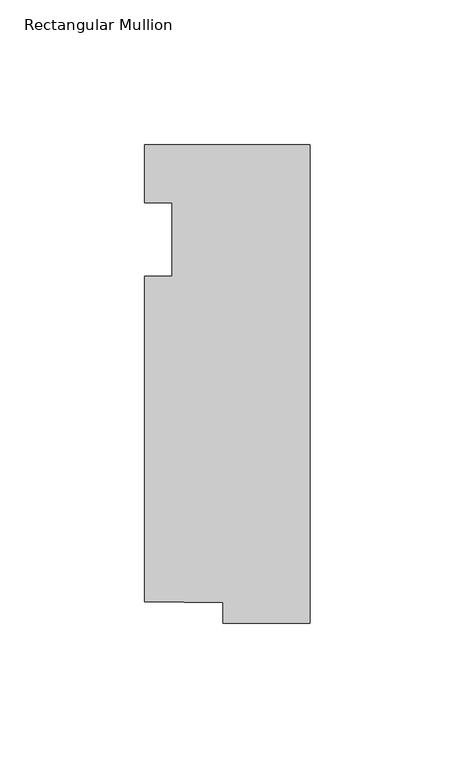
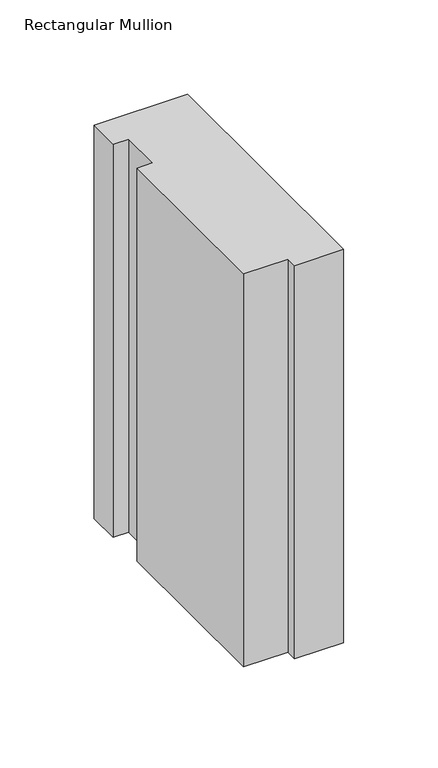
"""IFC4 building model written with IfcOpenShell, lengths in millimetres: member geometry, Rectangular Mullion."""

from ifc_helpers import new_model, si_unit, frame, origin, place, context, project, spatial, polyline, outline, extrude, source, transform, mapped, element, save


def rectangular_mullion_cb4a312e(model_context):
    return source(origin(), model_context, "Body", "SweptSolid", [
        extrude(outline(polyline([(-57.15, 20.0421875), (0.0, 20.0421875), (0.0, -145.0578125), (-30.0959106, -145.0578125), (-30.0959106, -138.1373866), (-57.15, -137.7430215), (-57.15, -25.4), (-47.625, -25.4), (-47.625, 0.0), (-57.15, 0.0), (-57.15, 20.0421875)])), frame((0.0, 0.0, -254.0), z_axis=(0.0, 0.0, 1.0), x_axis=(1.0, 0.0, 0.0)), (0.0, 0.0, 1.0), 254.0),
    ])


if __name__ == "__main__":
    model = new_model("IFC4")
    model_context = context("Model", 3, world=origin())
    ifc_project = project(units=[si_unit("LENGTHUNIT", "METRE", prefix="MILLI")], contexts=[model_context])
    site = spatial("IfcSite", under=ifc_project)
    building = spatial("IfcBuilding", under=site)
    placement = place(None, origin())
    rectangular_mullion_shape = rectangular_mullion_cb4a312e(model_context)
    element("IfcMember", 1, ObjectType="Rectangular Mullion", at=placement, inside=building, context=model_context, shape_type="MappedRepresentation", body=[
        mapped(rectangular_mullion_shape, transform((0.0, 0.0, 0.0), x_axis=(1.0, 0.0, 0.0), y_axis=(0.0, 1.0, 0.0), z_axis=(0.0, 0.0, 1.0))),
    ])
    save(model, "model.ifc")
